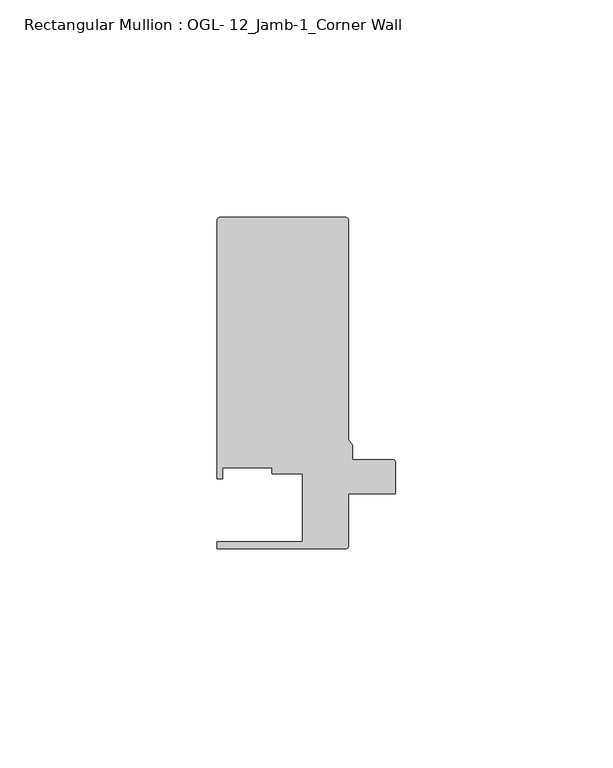
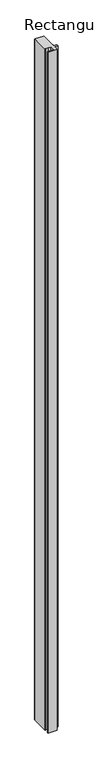
"""IFC4 building model written with IfcOpenShell, lengths in millimetres: member geometry, Rectangular Mullion : OGL- 12_Jamb-1_Corner Wall."""

from ifc_helpers import new_model, si_unit, point, frame, frame_2d, origin, place, context, project, spatial, polyline, circle_curve, trimmed, segment, composite_curve, outline, extrude, source, transform, mapped, element, save


def rectangular_mullion_ogl_12_jamb_1_corner_wall_4d449b6e(model_context):
    return source(origin(), model_context, "Body", "SweptSolid", [
        extrude(outline(composite_curve([segment(polyline([(-1.718668, 4.2664063), (-1.718668, -7.8382972)]), True, "CONTINUOUS"), segment(trimmed(circle_curve(frame_2d((-2.3139805, -7.8382972)), 0.5953125), [point((-1.718668, -7.8382972))], [point((-2.3139805, -8.4336097))], False, "CARTESIAN"), True, "CONTINUOUS"), segment(polyline([(-2.3139805, -8.4336097), (-31.8684663, -8.4336097), (-31.8684663, -6.8461097), (-12.2156802, -6.8461097), (-12.2156802, 8.8406714), (-19.2421553, 8.8406714), (-19.2421553, 10.1839788), (-30.6216313, 10.1839788), (-30.6216313, 7.6953086), (-31.8775606, 7.6953086), (-31.8775606, 67.1707729)]), True, "CONTINUOUS"), segment(trimmed(circle_curve(frame_2d((-31.2822481, 67.1707729)), 0.5953125), [point((-31.8775606, 67.1707729))], [point((-31.2822481, 67.7660854))], False, "CARTESIAN"), True, "CONTINUOUS"), segment(polyline([(-31.2822481, 67.7660854), (-2.3138963, 67.7660854)]), True, "CONTINUOUS"), segment(trimmed(circle_curve(frame_2d((-2.3138963, 67.1707729)), 0.5953125), [point((-2.3138963, 67.7660854))], [point((-1.7185838, 67.1707729))], False, "CARTESIAN"), True, "CONTINUOUS"), segment(polyline([(-1.7185838, 67.1707729), (-1.7185838, 16.6925494), (-0.79375, 15.4196249), (-0.79375, 12.070881), (8.5512549, 12.070881)]), True, "CONTINUOUS"), segment(trimmed(circle_curve(frame_2d((8.5512549, 11.510369)), 0.560512), [point((8.5512549, 12.070881))], [point((9.1117669, 11.510369))], False, "CARTESIAN"), True, "CONTINUOUS"), segment(polyline([(9.1117669, 11.510369), (9.1117669, 4.2664063), (-1.718668, 4.2664063)]), True, "CONTINUOUS")], self_intersect=False)), frame((0.0, 0.0, -2386.0078176), z_axis=(0.0, 0.0, 1.0), x_axis=(1.0, 0.0, 0.0)), (0.0, 0.0, 1.0), 2386.0078176),
    ])


if __name__ == "__main__":
    model = new_model("IFC4")
    model_context = context("Model", 3, world=origin())
    ifc_project = project(units=[si_unit("LENGTHUNIT", "METRE", prefix="MILLI")], contexts=[model_context])
    site = spatial("IfcSite", under=ifc_project)
    building = spatial("IfcBuilding", under=site)
    placement = place(None, origin())
    rectangular_mullion_ogl_12_jamb_1_corner_wall_shape = rectangular_mullion_ogl_12_jamb_1_corner_wall_4d449b6e(model_context)
    element("IfcMember", 1, ObjectType="Rectangular Mullion : OGL- 12_Jamb-1_Corner Wall", at=placement, inside=building, context=model_context, shape_type="MappedRepresentation", body=[
        mapped(rectangular_mullion_ogl_12_jamb_1_corner_wall_shape, transform((0.0, 0.0, 0.0), x_axis=(1.0, 0.0, 0.0), y_axis=(0.0, 1.0, 0.0), z_axis=(0.0, 0.0, 1.0))),
    ])
    save(model, "model.ifc")
